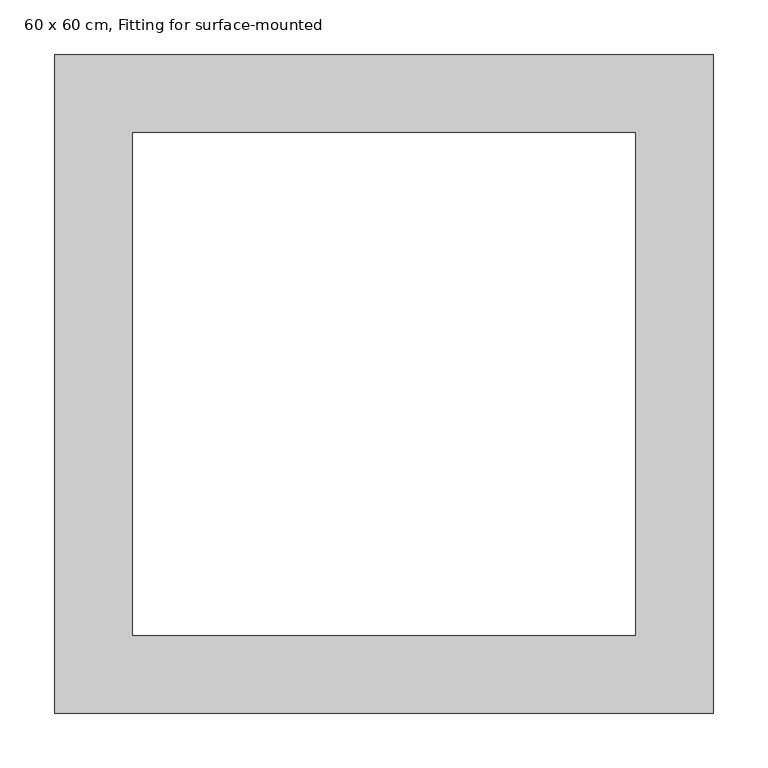
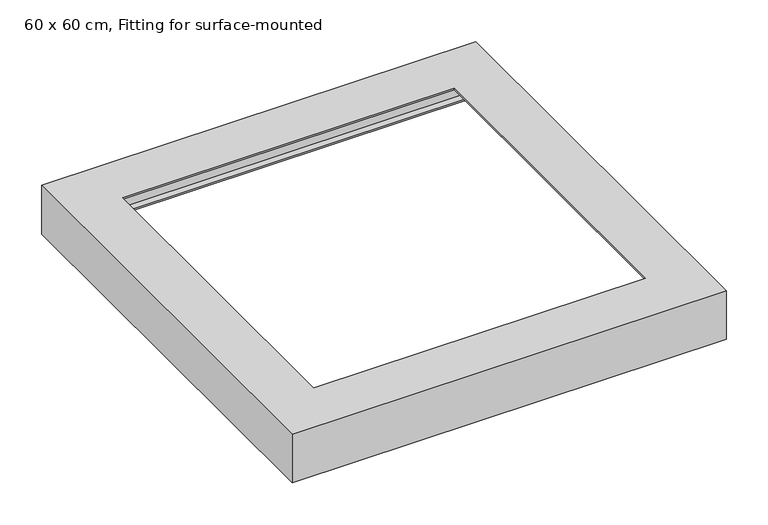
"""IFC4 building model written with IfcOpenShell, lengths in millimetres: light fixture geometry, 60 x 60 cm, Fitting for surface-mounted."""

from ifc_helpers import new_model, si_unit, origin, place, context, project, spatial, faceted_brep, source, transform, mapped, element, save


def light_fixture_60_x_60_cm_fitting_for_surface_mounted_77a3bb48(model_context):
    return source(origin(), model_context, "Body", "Brep", [
        faceted_brep([(288.0, -288.0, -69.0), (288.0, 288.0, -69.0), (288.0, 288.0, -71.0), (288.0, -288.0, -71.0), (298.0, -298.0, -2.0), (298.0, 298.0, -2.0), (298.0, 298.0, -69.0), (298.0, -298.0, -69.0), (229.0, -229.0, 0.0), (229.0, 229.0, 0.0), (229.0, 229.0, -2.0), (229.0, -229.0, -2.0), (300.0, -300.0, -71.0), (300.0, 300.0, -71.0), (300.0, 300.0, 0.0), (300.0, -300.0, 0.0), (-288.0, 288.0, -69.0), (-288.0, 288.0, -71.0), (-298.0, 298.0, -2.0), (-298.0, 298.0, -69.0), (-229.0, 229.0, 0.0), (-229.0, 229.0, -2.0), (-300.0, 300.0, -71.0), (-300.0, 300.0, 0.0), (-288.0, -288.0, -69.0), (-288.0, -288.0, -71.0), (-298.0, -298.0, -2.0), (-298.0, -298.0, -69.0), (-229.0, -229.0, 0.0), (-229.0, -229.0, -2.0), (-300.0, -300.0, -71.0), (-300.0, -300.0, 0.0)], [[[0, 1, 2, 3]], [[4, 5, 6, 7]], [[8, 9, 10, 11]], [[12, 13, 14, 15]], [[1, 16, 17, 2]], [[5, 18, 19, 6]], [[9, 20, 21, 10]], [[13, 22, 23, 14]], [[16, 24, 25, 17]], [[18, 26, 27, 19]], [[20, 28, 29, 21]], [[22, 30, 31, 23]], [[13, 12, 30, 22], [3, 2, 17, 25]], [[24, 0, 3, 25]], [[7, 6, 19, 27], [1, 0, 24, 16]], [[26, 4, 7, 27]], [[5, 4, 26, 18], [11, 10, 21, 29]], [[28, 8, 11, 29]], [[15, 14, 23, 31], [9, 8, 28, 20]], [[30, 12, 15, 31]]]),
    ])


if __name__ == "__main__":
    model = new_model("IFC4")
    model_context = context("Model", 3, world=origin())
    ifc_project = project(units=[si_unit("LENGTHUNIT", "METRE", prefix="MILLI")], contexts=[model_context])
    site = spatial("IfcSite", under=ifc_project)
    building = spatial("IfcBuilding", under=site)
    placement = place(None, origin())
    light_fixture_60_x_60_cm_fitting_for_surface_mounted_shape = light_fixture_60_x_60_cm_fitting_for_surface_mounted_77a3bb48(model_context)
    element("IfcLightFixture", 1, ObjectType="60 x 60 cm, Fitting for surface-mounted", at=placement, inside=building, context=model_context, shape_type="MappedRepresentation", body=[
        mapped(light_fixture_60_x_60_cm_fitting_for_surface_mounted_shape, transform((0.0, 0.0, 0.0), x_axis=(1.0, 0.0, 0.0), y_axis=(0.0, 1.0, 0.0), z_axis=(0.0, 0.0, 1.0))),
    ])
    save(model, "model.ifc")
